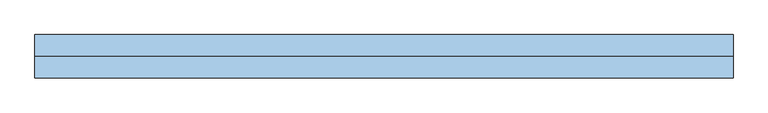
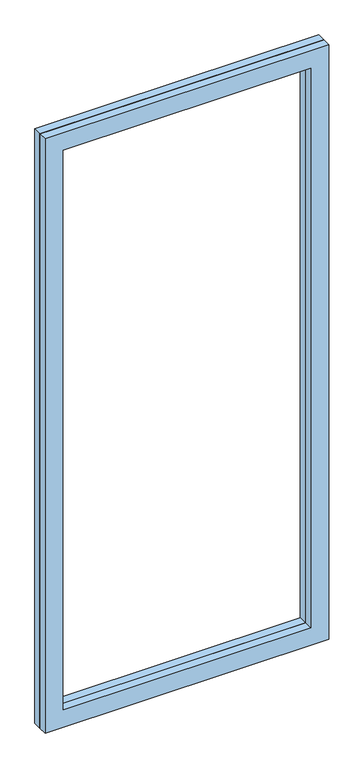
"""IFC4 building model written with IfcOpenShell, lengths in millimetres: window geometry."""

from ifc_helpers import new_model, si_unit, frame, origin, place, context, project, spatial, polyline, outline, extrude, source, transform, mapped, element, save


def window_31cfbeba(model_context):
    return source(origin(), model_context, "Body", "SweptSolid", [
        extrude(outline(polyline([(2399.5, -542.0833333), (0.0, -542.0833333), (0.0, 542.0833333), (2399.5, 542.0833333), (2399.5, -542.0833333)]), holes=[polyline([(70.0, -472.0833333), (2329.5, -472.0833333), (2329.5, 472.0833333), (70.0, 472.0833333), (70.0, -472.0833333)])]), frame((0.0, 58.5, 0.0), z_axis=(0.0, 1.0, 0.0), x_axis=(0.0, 0.0, 1.0)), (0.0, 0.0, 1.0), 33.5),
        extrude(outline(polyline([(2399.5, -542.0833333), (0.0, -542.0833333), (0.0, 542.0833333), (2399.5, 542.0833333), (2399.5, -542.0833333)]), holes=[polyline([(70.0, -472.0833333), (2329.5, -472.0833333), (2329.5, 472.0833333), (70.0, 472.0833333), (70.0, -472.0833333)])]), frame((0.0, 25.0, 0.0), z_axis=(0.0, 1.0, 0.0), x_axis=(0.0, 0.0, 1.0)), (0.0, 0.0, 1.0), 33.5),
    ])


if __name__ == "__main__":
    model = new_model("IFC4")
    model_context = context("Model", 3, world=origin())
    ifc_project = project(units=[si_unit("LENGTHUNIT", "METRE", prefix="MILLI")], contexts=[model_context])
    site = spatial("IfcSite", under=ifc_project)
    building = spatial("IfcBuilding", under=site)
    placement = place(None, origin())
    window_shape = window_31cfbeba(model_context)
    element("IfcWindow", 1, at=placement, inside=building, context=model_context, shape_type="MappedRepresentation", body=[
        mapped(window_shape, transform((0.0, 0.0, 0.0), x_axis=(1.0, 0.0, 0.0), y_axis=(0.0, 1.0, 0.0), z_axis=(0.0, 0.0, 1.0))),
    ])
    save(model, "model.ifc")
